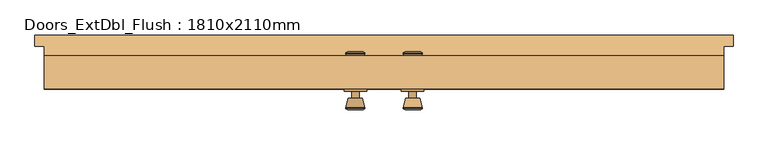
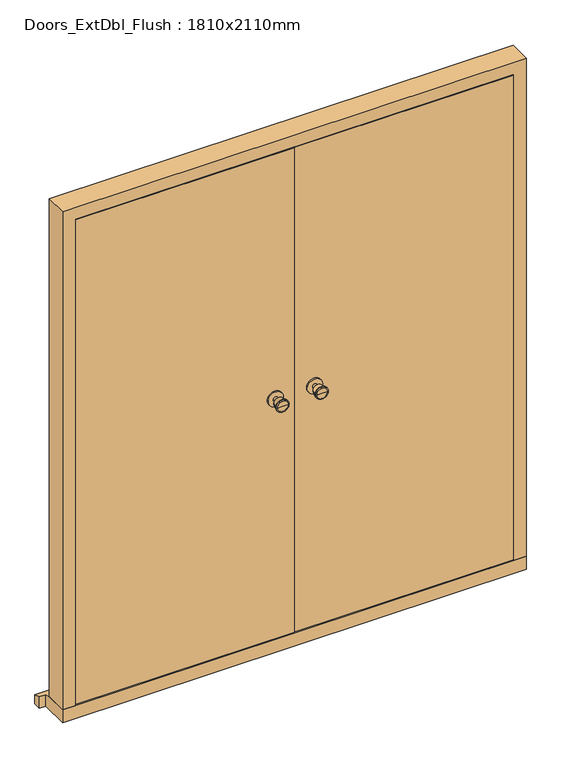
"""IFC4 building model written with IfcOpenShell, lengths in millimetres: door geometry, Doors_ExtDbl_Flush : 1810x2110mm."""

from ifc_helpers import new_model, si_unit, point, frame, frame_2d, origin, place, context, project, spatial, polyline, circle_curve, trimmed, segment, composite_curve, outline, extrude, faceted_brep, source, transform, mapped, element, save
from ifc_brep_helpers import plane_surface, cylinder_surface, revolved_surface, advanced_brep


def doors_extdbl_flush_1810x2110mm_6485e741(model_context):
    return source(origin(), model_context, "Body", "SolidModel", [
        advanced_brep(
        [(-76.5, 25.0, 1050.0), (-66.5, 25.0, 1050.0), (-86.5, 25.0, 1050.0), (-96.9758676, -24.0, 1050.0), (-56.0241324, -24.0, 1050.0), (-76.5, -24.0, 1050.0), (-101.5, -22.1721319, 1050.0), (-51.5, -22.1721319, 1050.0), (-101.5, -18.7084537, 1050.0), (-51.5, -18.7084537, 1050.0), (-95.136236, 6.0, 1050.0), (-57.863764, 6.0, 1050.0), (-86.5, 6.0, 1050.0), (-66.5, 6.0, 1050.0)],
        [
            (0, 1),
            (1, 2, circle_curve(frame((-76.5, 25.0, 1050.0), z_axis=(0.0, 1.0, 0.0), x_axis=(1.0, 0.0, 0.0)), 10.0)),
            (2, 0),
            (2, 1, circle_curve(frame((-76.5, 25.0, 1050.0), z_axis=(0.0, 1.0, 0.0), x_axis=(1.0, 0.0, 0.0)), 10.0)),
            (3, 4, circle_curve(frame((-76.5, -24.0, 1050.0), z_axis=(0.0, -1.0, 0.0), x_axis=(1.0, 0.0, 0.0)), 20.4758676)),
            (4, 5),
            (5, 3),
            (4, 3, circle_curve(frame((-76.5, -24.0, 1050.0), z_axis=(0.0, -1.0, 0.0), x_axis=(1.0, 0.0, 0.0)), 20.4758676)),
            (6, 7, circle_curve(frame((-76.5, -22.1721319, 1050.0), z_axis=(0.0, -1.0, 0.0), x_axis=(1.0, 0.0, 0.0)), 25.0)),
            (7, 4),
            (3, 6),
            (7, 6, circle_curve(frame((-76.5, -22.1721319, 1050.0), z_axis=(0.0, -1.0, 0.0), x_axis=(1.0, 0.0, 0.0)), 25.0)),
            (8, 9, circle_curve(frame((-76.5, -18.7084537, 1050.0), z_axis=(0.0, -1.0, 0.0), x_axis=(1.0, 0.0, 0.0)), 25.0)),
            (9, 7),
            (6, 8),
            (9, 8, circle_curve(frame((-76.5, -18.7084537, 1050.0), z_axis=(0.0, -1.0, 0.0), x_axis=(1.0, 0.0, 0.0)), 25.0)),
            (10, 11, circle_curve(frame((-76.5, 6.0, 1050.0), z_axis=(0.0, -1.0, 0.0), x_axis=(1.0, 0.0, 0.0)), 18.636236)),
            (11, 9),
            (8, 10),
            (11, 10, circle_curve(frame((-76.5, 6.0, 1050.0), z_axis=(0.0, -1.0, 0.0), x_axis=(1.0, 0.0, 0.0)), 18.636236)),
            (12, 13, circle_curve(frame((-76.5, 6.0, 1050.0), z_axis=(0.0, -1.0, 0.0), x_axis=(1.0, 0.0, 0.0)), 10.0)),
            (13, 11),
            (10, 12),
            (13, 12, circle_curve(frame((-76.5, 6.0, 1050.0), z_axis=(0.0, -1.0, 0.0), x_axis=(1.0, 0.0, 0.0)), 10.0)),
            (1, 13),
            (12, 2),
        ],
        [
            plane_surface(frame((-76.5, 25.0, 1050.0), z_axis=(0.0, 1.0, 0.0), x_axis=(1.0, 0.0, 0.0))),
            plane_surface(frame((-76.5, -24.0, 1050.0), z_axis=(0.0, -1.0, 0.0), x_axis=(1.0, 0.0, 0.0))),
            revolved_surface(polyline([(-56.0241324, -24.0, 1050.0), (-51.5, -22.1721319, 1050.0)]), (-76.5, 25.0, 1050.0), (0.0, 1.0, 0.0)),
            cylinder_surface(frame((-76.5, 25.0, 1050.0), z_axis=(0.0, 1.0, 0.0), x_axis=(1.0, 0.0, 0.0)), 25.0),
            revolved_surface(polyline([(-51.5, -18.7084537, 1050.0), (-57.863764, 6.0, 1050.0)]), (-76.5, 25.0, 1050.0), (0.0, 1.0, 0.0)),
            plane_surface(frame((-76.5, 6.0, 1050.0), z_axis=(0.0, 1.0, 0.0), x_axis=(1.0, 0.0, 0.0))),
            cylinder_surface(frame((-76.5, 25.0, 1050.0), z_axis=(0.0, 1.0, 0.0), x_axis=(1.0, 0.0, 0.0)), 10.0),
        ],
        [
            (0, [[1, 2, 3]]),
            (0, [[-3, 4, -1]]),
            (1, [[5, 6, 7]]),
            (1, [[8, -7, -6]]),
            (2, [[9, 10, -5, 11]]),
            (2, [[12, -11, -8, -10]]),
            (3, [[13, 14, -9, 15]]),
            (3, [[16, -15, -12, -14]]),
            (4, [[17, 18, -13, 19]]),
            (4, [[20, -19, -16, -18]]),
            (5, [[21, 22, -17, 23]]),
            (5, [[24, -23, -20, -22]]),
            (6, [[-2, 25, -21, 26]]),
            (6, [[-4, -26, -24, -25]]),
        ],
    ),
        extrude(outline(composite_curve([segment(trimmed(circle_curve(frame_2d((1050.0, -76.5)), 30.0), [point((1050.0, -46.5))], [point((1050.0, -106.5))], False, "CARTESIAN"), True, "CONTINUOUS"), segment(trimmed(circle_curve(frame_2d((1050.0, -76.5)), 30.0), [point((1050.0, -106.5))], [point((1050.0, -46.5))], False, "CARTESIAN"), True, "CONTINUOUS")], self_intersect=False)), frame((0.0, 25.0, 0.0), z_axis=(0.0, 1.0, 0.0), x_axis=(0.0, 0.0, 1.0)), (0.0, 0.0, 1.0), 6.0),
        advanced_brep(
        [(-76.5, 81.0, 1050.0), (-86.5, 81.0, 1050.0), (-66.5, 81.0, 1050.0), (-96.9758676, 130.0, 1050.0), (-76.5, 130.0, 1050.0), (-56.0241324, 130.0, 1050.0), (-101.5, 128.1721319, 1050.0), (-51.5, 128.1721319, 1050.0), (-101.5, 124.7084537, 1050.0), (-51.5, 124.7084537, 1050.0), (-95.136236, 100.0, 1050.0), (-57.863764, 100.0, 1050.0), (-86.5, 100.0, 1050.0), (-66.5, 100.0, 1050.0)],
        [
            (0, 1),
            (1, 2, circle_curve(frame((-76.5, 81.0, 1050.0), z_axis=(0.0, -1.0, 0.0), x_axis=(1.0, 0.0, 0.0)), 10.0)),
            (2, 0),
            (2, 1, circle_curve(frame((-76.5, 81.0, 1050.0), z_axis=(0.0, -1.0, 0.0), x_axis=(1.0, 0.0, 0.0)), 10.0)),
            (3, 4),
            (4, 5),
            (5, 3, circle_curve(frame((-76.5, 130.0, 1050.0), z_axis=(0.0, 1.0, 0.0), x_axis=(1.0, 0.0, 0.0)), 20.4758676)),
            (3, 5, circle_curve(frame((-76.5, 130.0, 1050.0), z_axis=(0.0, 1.0, 0.0), x_axis=(1.0, 0.0, 0.0)), 20.4758676)),
            (6, 3),
            (5, 7),
            (7, 6, circle_curve(frame((-76.5, 128.1721319, 1050.0), z_axis=(0.0, 1.0, 0.0), x_axis=(1.0, 0.0, 0.0)), 25.0)),
            (6, 7, circle_curve(frame((-76.5, 128.1721319, 1050.0), z_axis=(0.0, 1.0, 0.0), x_axis=(1.0, 0.0, 0.0)), 25.0)),
            (8, 6),
            (7, 9),
            (9, 8, circle_curve(frame((-76.5, 124.7084537, 1050.0), z_axis=(0.0, 1.0, 0.0), x_axis=(1.0, 0.0, 0.0)), 25.0)),
            (8, 9, circle_curve(frame((-76.5, 124.7084537, 1050.0), z_axis=(0.0, 1.0, 0.0), x_axis=(1.0, 0.0, 0.0)), 25.0)),
            (10, 8),
            (9, 11),
            (11, 10, circle_curve(frame((-76.5, 100.0, 1050.0), z_axis=(0.0, 1.0, 0.0), x_axis=(1.0, 0.0, 0.0)), 18.636236)),
            (10, 11, circle_curve(frame((-76.5, 100.0, 1050.0), z_axis=(0.0, 1.0, 0.0), x_axis=(1.0, 0.0, 0.0)), 18.636236)),
            (12, 10),
            (11, 13),
            (13, 12, circle_curve(frame((-76.5, 100.0, 1050.0), z_axis=(0.0, 1.0, 0.0), x_axis=(1.0, 0.0, 0.0)), 10.0)),
            (12, 13, circle_curve(frame((-76.5, 100.0, 1050.0), z_axis=(0.0, 1.0, 0.0), x_axis=(1.0, 0.0, 0.0)), 10.0)),
            (1, 12),
            (13, 2),
        ],
        [
            plane_surface(frame((-76.5, 81.0, 1050.0), z_axis=(0.0, -1.0, 0.0), x_axis=(1.0, 0.0, 0.0))),
            plane_surface(frame((-76.5, 130.0, 1050.0), z_axis=(0.0, 1.0, 0.0), x_axis=(1.0, 0.0, 0.0))),
            revolved_surface(polyline([(-56.0241324, 130.0, 1050.0), (-51.5, 128.1721319, 1050.0)]), (-76.5, 81.0, 1050.0), (0.0, -1.0, 0.0)),
            cylinder_surface(frame((-76.5, 81.0, 1050.0), z_axis=(0.0, -1.0, 0.0), x_axis=(1.0, 0.0, 0.0)), 25.0),
            revolved_surface(polyline([(-51.5, 124.7084537, 1050.0), (-57.863764, 100.0, 1050.0)]), (-76.5, 81.0, 1050.0), (0.0, -1.0, 0.0)),
            plane_surface(frame((-76.5, 100.0, 1050.0), z_axis=(0.0, -1.0, 0.0), x_axis=(1.0, 0.0, 0.0))),
            cylinder_surface(frame((-76.5, 81.0, 1050.0), z_axis=(0.0, -1.0, 0.0), x_axis=(1.0, 0.0, 0.0)), 10.0),
        ],
        [
            (0, [[1, 2, 3]]),
            (0, [[-3, 4, -1]]),
            (1, [[5, 6, 7]]),
            (1, [[-6, -5, 8]]),
            (2, [[9, -7, 10, 11]]),
            (2, [[-10, -8, -9, 12]]),
            (3, [[13, -11, 14, 15]]),
            (3, [[-14, -12, -13, 16]]),
            (4, [[17, -15, 18, 19]]),
            (4, [[-18, -16, -17, 20]]),
            (5, [[21, -19, 22, 23]]),
            (5, [[-22, -20, -21, 24]]),
            (6, [[25, -23, 26, -2]]),
            (6, [[-26, -24, -25, -4]]),
        ],
    ),
        extrude(outline(composite_curve([segment(trimmed(circle_curve(frame_2d((1050.0, -76.5)), 30.0), [point((1050.0, -46.5))], [point((1050.0, -106.5))], False, "CARTESIAN"), True, "CONTINUOUS"), segment(trimmed(circle_curve(frame_2d((1050.0, -76.5)), 30.0), [point((1050.0, -106.5))], [point((1050.0, -46.5))], False, "CARTESIAN"), True, "CONTINUOUS")], self_intersect=False)), frame((0.0, 75.0, 0.0), z_axis=(0.0, 1.0, 0.0), x_axis=(0.0, 0.0, 1.0)), (0.0, 0.0, 1.0), 6.0),
        advanced_brep(
        [(76.5, 25.0, 1050.0), (86.5, 25.0, 1050.0), (66.5, 25.0, 1050.0), (96.9758676, -24.0, 1050.0), (76.5, -24.0, 1050.0), (56.0241324, -24.0, 1050.0), (101.5, -22.1721319, 1050.0), (51.5, -22.1721319, 1050.0), (101.5, -18.7084537, 1050.0), (51.5, -18.7084537, 1050.0), (95.136236, 6.0, 1050.0), (57.863764, 6.0, 1050.0), (86.5, 6.0, 1050.0), (66.5, 6.0, 1050.0)],
        [
            (0, 1),
            (1, 2, circle_curve(frame((76.5, 25.0, 1050.0), z_axis=(0.0, 1.0, 0.0), x_axis=(-1.0, 0.0, 0.0)), 10.0)),
            (2, 0),
            (2, 1, circle_curve(frame((76.5, 25.0, 1050.0), z_axis=(0.0, 1.0, 0.0), x_axis=(-1.0, 0.0, 0.0)), 10.0)),
            (3, 4),
            (4, 5),
            (5, 3, circle_curve(frame((76.5, -24.0, 1050.0), z_axis=(0.0, -1.0, 0.0), x_axis=(-1.0, 0.0, 0.0)), 20.4758676)),
            (3, 5, circle_curve(frame((76.5, -24.0, 1050.0), z_axis=(0.0, -1.0, 0.0), x_axis=(-1.0, 0.0, 0.0)), 20.4758676)),
            (6, 3),
            (5, 7),
            (7, 6, circle_curve(frame((76.5, -22.1721319, 1050.0), z_axis=(0.0, -1.0, 0.0), x_axis=(-1.0, 0.0, 0.0)), 25.0)),
            (6, 7, circle_curve(frame((76.5, -22.1721319, 1050.0), z_axis=(0.0, -1.0, 0.0), x_axis=(-1.0, 0.0, 0.0)), 25.0)),
            (8, 6),
            (7, 9),
            (9, 8, circle_curve(frame((76.5, -18.7084537, 1050.0), z_axis=(0.0, -1.0, 0.0), x_axis=(-1.0, 0.0, 0.0)), 25.0)),
            (8, 9, circle_curve(frame((76.5, -18.7084537, 1050.0), z_axis=(0.0, -1.0, 0.0), x_axis=(-1.0, 0.0, 0.0)), 25.0)),
            (10, 8),
            (9, 11),
            (11, 10, circle_curve(frame((76.5, 6.0, 1050.0), z_axis=(0.0, -1.0, 0.0), x_axis=(-1.0, 0.0, 0.0)), 18.636236)),
            (10, 11, circle_curve(frame((76.5, 6.0, 1050.0), z_axis=(0.0, -1.0, 0.0), x_axis=(-1.0, 0.0, 0.0)), 18.636236)),
            (12, 10),
            (11, 13),
            (13, 12, circle_curve(frame((76.5, 6.0, 1050.0), z_axis=(0.0, -1.0, 0.0), x_axis=(-1.0, 0.0, 0.0)), 10.0)),
            (12, 13, circle_curve(frame((76.5, 6.0, 1050.0), z_axis=(0.0, -1.0, 0.0), x_axis=(-1.0, 0.0, 0.0)), 10.0)),
            (1, 12),
            (13, 2),
        ],
        [
            plane_surface(frame((76.5, 25.0, 1050.0), z_axis=(0.0, 1.0, 0.0), x_axis=(-1.0, 0.0, 0.0))),
            plane_surface(frame((76.5, -24.0, 1050.0), z_axis=(0.0, -1.0, 0.0), x_axis=(-1.0, 0.0, 0.0))),
            revolved_surface(polyline([(56.0241324, -24.0, 1050.0), (51.5, -22.1721319, 1050.0)]), (76.5, 25.0, 1050.0), (0.0, 1.0, 0.0)),
            cylinder_surface(frame((76.5, 25.0, 1050.0), z_axis=(0.0, 1.0, 0.0), x_axis=(-1.0, 0.0, 0.0)), 25.0),
            revolved_surface(polyline([(51.5, -18.7084537, 1050.0), (57.863764, 6.0, 1050.0)]), (76.5, 25.0, 1050.0), (0.0, 1.0, 0.0)),
            plane_surface(frame((76.5, 6.0, 1050.0), z_axis=(0.0, 1.0, 0.0), x_axis=(-1.0, 0.0, 0.0))),
            cylinder_surface(frame((76.5, 25.0, 1050.0), z_axis=(0.0, 1.0, 0.0), x_axis=(-1.0, 0.0, 0.0)), 10.0),
        ],
        [
            (0, [[1, 2, 3]]),
            (0, [[-3, 4, -1]]),
            (1, [[5, 6, 7]]),
            (1, [[-6, -5, 8]]),
            (2, [[9, -7, 10, 11]]),
            (2, [[-10, -8, -9, 12]]),
            (3, [[13, -11, 14, 15]]),
            (3, [[-14, -12, -13, 16]]),
            (4, [[17, -15, 18, 19]]),
            (4, [[-18, -16, -17, 20]]),
            (5, [[21, -19, 22, 23]]),
            (5, [[-22, -20, -21, 24]]),
            (6, [[25, -23, 26, -2]]),
            (6, [[-26, -24, -25, -4]]),
        ],
    ),
        extrude(outline(composite_curve([segment(trimmed(circle_curve(frame_2d((1050.0, 76.5)), 30.0), [point((1050.0, 46.5))], [point((1050.0, 106.5))], False, "CARTESIAN"), True, "CONTINUOUS"), segment(trimmed(circle_curve(frame_2d((1050.0, 76.5)), 30.0), [point((1050.0, 106.5))], [point((1050.0, 46.5))], False, "CARTESIAN"), True, "CONTINUOUS")], self_intersect=False)), frame((0.0, 25.0, 0.0), z_axis=(0.0, 1.0, 0.0), x_axis=(0.0, 0.0, 1.0)), (0.0, 0.0, 1.0), 6.0),
        advanced_brep(
        [(76.5, 81.0, 1050.0), (66.5, 81.0, 1050.0), (86.5, 81.0, 1050.0), (96.9758676, 130.0, 1050.0), (56.0241324, 130.0, 1050.0), (76.5, 130.0, 1050.0), (101.5, 128.1721319, 1050.0), (51.5, 128.1721319, 1050.0), (101.5, 124.7084537, 1050.0), (51.5, 124.7084537, 1050.0), (95.136236, 100.0, 1050.0), (57.863764, 100.0, 1050.0), (86.5, 100.0, 1050.0), (66.5, 100.0, 1050.0)],
        [
            (0, 1),
            (1, 2, circle_curve(frame((76.5, 81.0, 1050.0), z_axis=(0.0, -1.0, 0.0), x_axis=(-1.0, 0.0, 0.0)), 10.0)),
            (2, 0),
            (2, 1, circle_curve(frame((76.5, 81.0, 1050.0), z_axis=(0.0, -1.0, 0.0), x_axis=(-1.0, 0.0, 0.0)), 10.0)),
            (3, 4, circle_curve(frame((76.5, 130.0, 1050.0), z_axis=(0.0, 1.0, 0.0), x_axis=(-1.0, 0.0, 0.0)), 20.4758676)),
            (4, 5),
            (5, 3),
            (4, 3, circle_curve(frame((76.5, 130.0, 1050.0), z_axis=(0.0, 1.0, 0.0), x_axis=(-1.0, 0.0, 0.0)), 20.4758676)),
            (6, 7, circle_curve(frame((76.5, 128.1721319, 1050.0), z_axis=(0.0, 1.0, 0.0), x_axis=(-1.0, 0.0, 0.0)), 25.0)),
            (7, 4),
            (3, 6),
            (7, 6, circle_curve(frame((76.5, 128.1721319, 1050.0), z_axis=(0.0, 1.0, 0.0), x_axis=(-1.0, 0.0, 0.0)), 25.0)),
            (8, 9, circle_curve(frame((76.5, 124.7084537, 1050.0), z_axis=(0.0, 1.0, 0.0), x_axis=(-1.0, 0.0, 0.0)), 25.0)),
            (9, 7),
            (6, 8),
            (9, 8, circle_curve(frame((76.5, 124.7084537, 1050.0), z_axis=(0.0, 1.0, 0.0), x_axis=(-1.0, 0.0, 0.0)), 25.0)),
            (10, 11, circle_curve(frame((76.5, 100.0, 1050.0), z_axis=(0.0, 1.0, 0.0), x_axis=(-1.0, 0.0, 0.0)), 18.636236)),
            (11, 9),
            (8, 10),
            (11, 10, circle_curve(frame((76.5, 100.0, 1050.0), z_axis=(0.0, 1.0, 0.0), x_axis=(-1.0, 0.0, 0.0)), 18.636236)),
            (12, 13, circle_curve(frame((76.5, 100.0, 1050.0), z_axis=(0.0, 1.0, 0.0), x_axis=(-1.0, 0.0, 0.0)), 10.0)),
            (13, 11),
            (10, 12),
            (13, 12, circle_curve(frame((76.5, 100.0, 1050.0), z_axis=(0.0, 1.0, 0.0), x_axis=(-1.0, 0.0, 0.0)), 10.0)),
            (1, 13),
            (12, 2),
        ],
        [
            plane_surface(frame((76.5, 81.0, 1050.0), z_axis=(0.0, -1.0, 0.0), x_axis=(-1.0, 0.0, 0.0))),
            plane_surface(frame((76.5, 130.0, 1050.0), z_axis=(0.0, 1.0, 0.0), x_axis=(-1.0, 0.0, 0.0))),
            revolved_surface(polyline([(56.0241324, 130.0, 1050.0), (51.5, 128.1721319, 1050.0)]), (76.5, 81.0, 1050.0), (0.0, -1.0, 0.0)),
            cylinder_surface(frame((76.5, 81.0, 1050.0), z_axis=(0.0, -1.0, 0.0), x_axis=(-1.0, 0.0, 0.0)), 25.0),
            revolved_surface(polyline([(51.5, 124.7084537, 1050.0), (57.863764, 100.0, 1050.0)]), (76.5, 81.0, 1050.0), (0.0, -1.0, 0.0)),
            plane_surface(frame((76.5, 100.0, 1050.0), z_axis=(0.0, -1.0, 0.0), x_axis=(-1.0, 0.0, 0.0))),
            cylinder_surface(frame((76.5, 81.0, 1050.0), z_axis=(0.0, -1.0, 0.0), x_axis=(-1.0, 0.0, 0.0)), 10.0),
        ],
        [
            (0, [[1, 2, 3]]),
            (0, [[-3, 4, -1]]),
            (1, [[5, 6, 7]]),
            (1, [[8, -7, -6]]),
            (2, [[9, 10, -5, 11]]),
            (2, [[12, -11, -8, -10]]),
            (3, [[13, 14, -9, 15]]),
            (3, [[16, -15, -12, -14]]),
            (4, [[17, 18, -13, 19]]),
            (4, [[20, -19, -16, -18]]),
            (5, [[21, 22, -17, 23]]),
            (5, [[24, -23, -20, -22]]),
            (6, [[-2, 25, -21, 26]]),
            (6, [[-4, -26, -24, -25]]),
        ],
    ),
        extrude(outline(composite_curve([segment(trimmed(circle_curve(frame_2d((1050.0, 76.5)), 30.0), [point((1050.0, 46.5))], [point((1050.0, 106.5))], False, "CARTESIAN"), True, "CONTINUOUS"), segment(trimmed(circle_curve(frame_2d((1050.0, 76.5)), 30.0), [point((1050.0, 106.5))], [point((1050.0, 46.5))], False, "CARTESIAN"), True, "CONTINUOUS")], self_intersect=False)), frame((0.0, 75.0, 0.0), z_axis=(0.0, 1.0, 0.0), x_axis=(0.0, 0.0, 1.0)), (0.0, 0.0, 1.0), 6.0),
        faceted_brep([(834.5, 120.0, 54.5), (905.0, 120.0, 54.5), (905.0, 31.0, 54.5), (856.5, 31.0, 54.5), (856.5, 78.0, 54.5), (834.5, 78.0, 54.5), (834.5, 120.0, 2039.5), (-834.5, 120.0, 2039.5), (-834.5, 120.0, 54.5), (-905.0, 120.0, 54.5), (-905.0, 120.0, 2110.0), (905.0, 120.0, 2110.0), (905.0, 31.0, 2110.0), (-905.0, 31.0, 2110.0), (-905.0, 31.0, 54.5), (-856.5, 31.0, 54.5), (-856.5, 31.0, 2061.5), (856.5, 31.0, 2061.5), (856.5, 78.0, 2061.5), (-856.5, 78.0, 2061.5), (-856.5, 78.0, 54.5), (-834.5, 78.0, 54.5), (-834.5, 78.0, 2039.5), (834.5, 78.0, 2039.5)], [[[0, 1, 2, 3, 4, 5]], [[1, 0, 6, 7, 8, 9, 10, 11]], [[2, 1, 11, 12]], [[3, 2, 12, 13, 14, 15, 16, 17]], [[4, 3, 17, 18]], [[5, 4, 18, 19, 20, 21, 22, 23]], [[0, 5, 23, 6]], [[12, 11, 10, 13]], [[18, 17, 16, 19]], [[6, 23, 22, 7]], [[8, 21, 20, 15, 14, 9]], [[13, 10, 9, 14]], [[19, 16, 15, 20]], [[7, 22, 21, 8]]]),
        faceted_brep([(930.0, 175.0, 0.0), (930.0, 175.0, 38.5947221), (930.0, 145.0, 47.2703282), (930.0, 145.0, 0.0), (-930.0, 175.0, 38.5947221), (-930.0, 175.0, 0.0), (-930.0, 145.0, 0.0), (-930.0, 145.0, 47.2703282), (905.0, 145.0, 0.0), (905.0, 31.0, 0.0), (-905.0, 31.0, 0.0), (-905.0, 145.0, 0.0), (-905.0, 145.0, 47.2703282), (-905.0, 120.0, 54.5), (905.0, 120.0, 54.5), (905.0, 145.0, 47.2703282), (-905.0, 31.0, 54.5), (905.0, 31.0, 54.5)], [[[0, 1, 2, 3]], [[4, 5, 6, 7]], [[5, 0, 3, 8, 9, 10, 11, 6]], [[1, 0, 5, 4]], [[1, 4, 7, 12, 13, 14, 15, 2]], [[13, 16, 17, 14]], [[16, 10, 9, 17]], [[12, 11, 10, 16, 13]], [[11, 12, 7, 6]], [[8, 15, 14, 17, 9]], [[15, 8, 3, 2]]]),
        extrude(outline(polyline([(853.5, 31.0), (1.5, 31.0), (1.5, 75.0), (853.5, 75.0), (853.5, 31.0)])), frame((0.0, 0.0, 58.5), z_axis=(0.0, 0.0, 1.0), x_axis=(1.0, 0.0, 0.0)), (0.0, 0.0, 1.0), 2000.0),
        extrude(outline(polyline([(-1.5, 31.0), (-853.5, 31.0), (-853.5, 75.0), (-1.5, 75.0), (-1.5, 31.0)])), frame((0.0, 0.0, 58.5), z_axis=(0.0, 0.0, 1.0), x_axis=(1.0, 0.0, 0.0)), (0.0, 0.0, 1.0), 2000.0),
    ])


if __name__ == "__main__":
    model = new_model("IFC4")
    model_context = context("Model", 3, world=origin())
    ifc_project = project(units=[si_unit("LENGTHUNIT", "METRE", prefix="MILLI")], contexts=[model_context])
    site = spatial("IfcSite", under=ifc_project)
    building = spatial("IfcBuilding", under=site)
    placement = place(None, origin())
    doors_extdbl_flush_1810x2110mm_shape = doors_extdbl_flush_1810x2110mm_6485e741(model_context)
    element("IfcDoor", 1, ObjectType="Doors_ExtDbl_Flush : 1810x2110mm", at=placement, inside=building, context=model_context, shape_type="MappedRepresentation", body=[
        mapped(doors_extdbl_flush_1810x2110mm_shape, transform((0.0, 0.0, 0.0), x_axis=(1.0, 0.0, 0.0), y_axis=(0.0, 1.0, 0.0), z_axis=(0.0, 0.0, 1.0))),
    ])
    save(model, "model.ifc")
